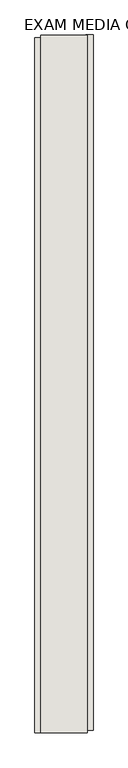
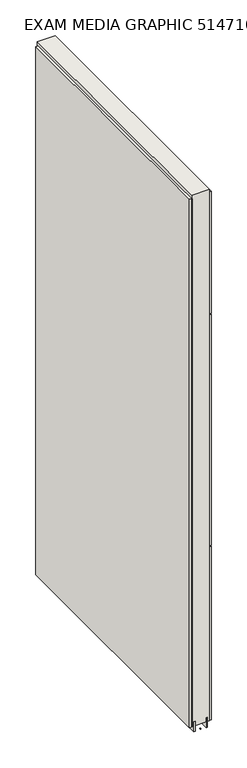
"""IFC4 building model written with IfcOpenShell, lengths in millimetres: wall geometry, EXAM MEDIA GRAPHIC 514710 : EXAM MEDIA GRAPHIC 514710."""

from ifc_helpers import new_model, si_unit, frame, origin, place, context, project, spatial, polyline, outline, extrude, source, transform, mapped, element, save


def exam_media_graphic_514710_exam_media_graphic_514710_39683041(model_context):
    return source(origin(), model_context, "Body", "SweptSolid", [
        extrude(outline(polyline([(45724.482211, -55781.7684718), (45724.482211, -55784.3084718), (45721.942211, -55784.3084718), (45721.942211, -55781.7684718), (45724.482211, -55781.7684718)])), frame((0.0, 0.0, 4419.6), z_axis=(0.0, 0.0, 1.0), x_axis=(1.0, 0.0, 0.0)), (0.0, 0.0, 1.0), 2.54),
        extrude(outline(polyline([(45672.412211, -55784.77159), (45672.412211, -54569.571582), (45685.112211, -54569.571582), (45685.112211, -55784.77159), (45672.412211, -55784.77159)])), frame((0.0, 0.0, 4445.0), z_axis=(0.0, 0.0, 1.0), x_axis=(1.0, 0.0, 0.0)), (0.0, 0.0, 1.0), 2545.0498756),
        extrude(outline(polyline([(45774.012211, -54564.6478428), (45774.012211, -55779.8478508), (45761.312211, -55779.8478508), (45761.312211, -54564.6478428), (45774.012211, -54564.6478428)])), frame((0.0, 0.0, 6402.8000722), z_axis=(0.0, 0.0, 1.0), x_axis=(1.0, 0.0, 0.0)), (0.0, 0.0, 1.0), 587.2498034),
        extrude(outline(polyline([(45774.012211, -54564.6478428), (45774.012211, -55779.8478508), (45761.312211, -55779.8478508), (45761.312211, -54564.6478428), (45774.012211, -54564.6478428)])), frame((0.0, 0.0, 5285.2000722), z_axis=(0.0, 0.0, 1.0), x_axis=(1.0, 0.0, 0.0)), (0.0, 0.0, 1.0), 1113.5999572),
        extrude(outline(polyline([(45774.012211, -54564.6478428), (45774.012211, -55779.8478508), (45761.312211, -55779.8478508), (45761.312211, -54564.6478428), (45774.012211, -54564.6478428)])), frame((0.0, 0.0, 4445.0), z_axis=(0.0, 0.0, 1.0), x_axis=(1.0, 0.0, 0.0)), (0.0, 0.0, 1.0), 836.200004),
        extrude(outline(polyline([(45698.1315652, -54565.115914), (45698.1315652, -55784.315914), (45693.049711, -55784.315914), (45693.049711, -54565.115914), (45698.1315652, -54565.115914)])), frame((0.0, 0.0, 4418.6602), z_axis=(0.0, 0.0, 1.0), x_axis=(1.0, 0.0, 0.0)), (0.0, 0.0, 1.0), 47.625),
        extrude(outline(polyline([(45698.1315652, -54565.115914), (45698.1315652, -55784.315914), (45693.049711, -55784.315914), (45693.049711, -54565.115914), (45698.1315652, -54565.115914)])), frame((0.0, 0.0, 4418.6602), z_axis=(0.0, 0.0, 1.0), x_axis=(1.0, 0.0, 0.0)), (0.0, 0.0, 1.0), 47.625),
        extrude(outline(polyline([(45748.2959556, -55784.315914), (45748.2959556, -54565.115914), (45753.374711, -54565.115914), (45753.374711, -55784.315914), (45748.2959556, -55784.315914)])), frame((0.0, 0.0, 4418.6602), z_axis=(0.0, 0.0, 1.0), x_axis=(1.0, 0.0, 0.0)), (0.0, 0.0, 1.0), 47.625),
        extrude(outline(polyline([(45748.2959556, -55784.315914), (45748.2959556, -54565.115914), (45753.374711, -54565.115914), (45753.374711, -55784.315914), (45748.2959556, -55784.315914)])), frame((0.0, 0.0, 4418.6602), z_axis=(0.0, 0.0, 1.0), x_axis=(1.0, 0.0, 0.0)), (0.0, 0.0, 1.0), 47.625),
        extrude(outline(polyline([(45682.5604254, -54565.115914), (45763.8391808, -54565.115914), (45763.8391808, -55784.315914), (45682.5604254, -55784.315914), (45682.5604254, -54565.115914)])), frame((0.0, 0.0, 4445.0), z_axis=(0.0, 0.0, 1.0), x_axis=(1.0, 0.0, 0.0)), (0.0, 0.0, 1.0), 2562.4536762),
    ])


if __name__ == "__main__":
    model = new_model("IFC4")
    model_context = context("Model", 3, world=origin())
    ifc_project = project(units=[si_unit("LENGTHUNIT", "METRE", prefix="MILLI")], contexts=[model_context])
    site = spatial("IfcSite", under=ifc_project)
    building = spatial("IfcBuilding", under=site)
    placement = place(None, origin())
    exam_media_graphic_514710_exam_media_graphic_514710_shape = exam_media_graphic_514710_exam_media_graphic_514710_39683041(model_context)
    element("IfcWall", 1, ObjectType="EXAM MEDIA GRAPHIC 514710 : EXAM MEDIA GRAPHIC 514710", at=placement, inside=building, context=model_context, shape_type="MappedRepresentation", body=[
        mapped(exam_media_graphic_514710_exam_media_graphic_514710_shape, transform((0.0, 0.0, 0.0), x_axis=(1.0, 0.0, 0.0), y_axis=(0.0, 1.0, 0.0), z_axis=(0.0, 0.0, 1.0))),
    ])
    save(model, "model.ifc")
